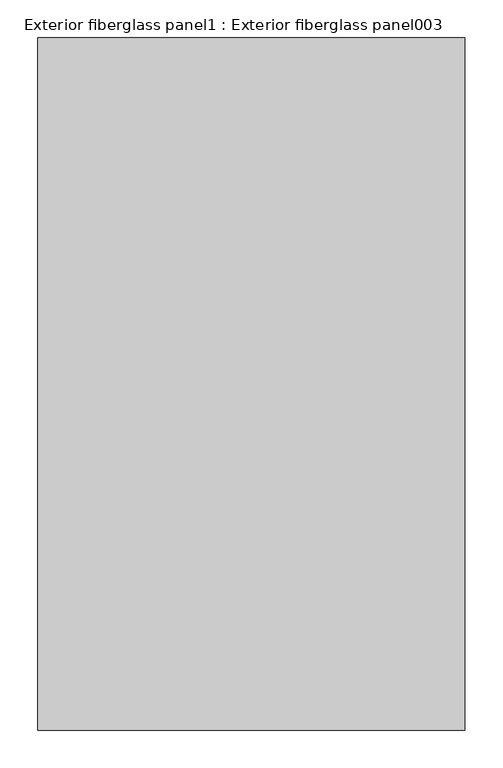
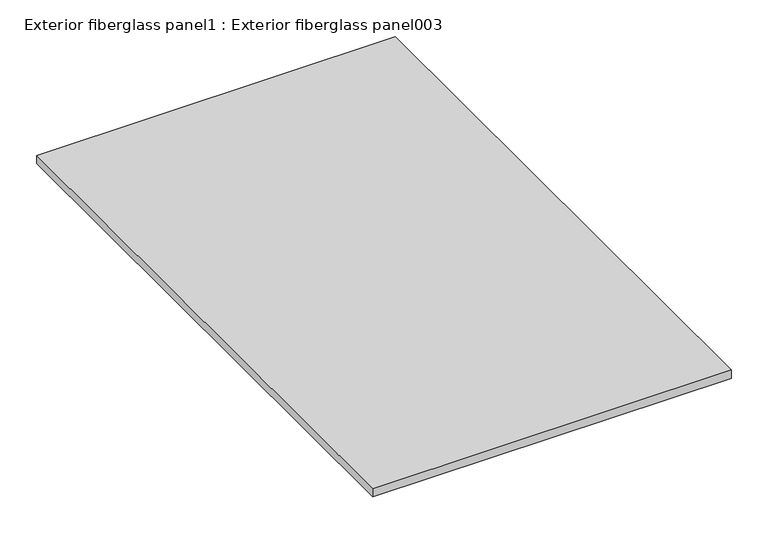
"""IFC4 building model written with IfcOpenShell, lengths in millimetres: proxy geometry, Exterior fiberglass panel1 : Exterior fiberglass panel003."""

from ifc_helpers import new_model, si_unit, frame, origin, place, context, project, spatial, polyline, outline, extrude, source, transform, mapped, element, save


def exterior_fiberglass_panel1_exterior_fiberglass_panel003_57cb7fe5(model_context):
    return source(origin(), model_context, "Body", "SweptSolid", [
        extrude(outline(polyline([(38215.8178182, -19576.8265625), (37651.9219607, -19576.8265625), (37651.9219607, -18662.4265625), (38215.8178182, -18662.4265625), (38215.8178182, -19576.8265625)])), frame((0.0, 0.0, 2974.0585418), z_axis=(0.0, 0.0, 1.0), x_axis=(1.0, 0.0, 0.0)), (0.0, 0.0, 1.0), 13.6164582),
    ])


if __name__ == "__main__":
    model = new_model("IFC4")
    model_context = context("Model", 3, world=origin())
    ifc_project = project(units=[si_unit("LENGTHUNIT", "METRE", prefix="MILLI")], contexts=[model_context])
    site = spatial("IfcSite", under=ifc_project)
    building = spatial("IfcBuilding", under=site)
    placement = place(None, origin())
    exterior_fiberglass_panel1_exterior_fiberglass_panel003_shape = exterior_fiberglass_panel1_exterior_fiberglass_panel003_57cb7fe5(model_context)
    element("IfcBuildingElementProxy", 1, Name="Exterior fiberglass panel1 : Exterior fiberglass panel003", ObjectType="Exterior fiberglass panel1 : Exterior fiberglass panel003", at=placement, inside=building, context=model_context, shape_type="MappedRepresentation", body=[
        mapped(exterior_fiberglass_panel1_exterior_fiberglass_panel003_shape, transform((0.0, 0.0, 0.0), x_axis=(1.0, 0.0, 0.0), y_axis=(0.0, 1.0, 0.0), z_axis=(0.0, 0.0, 1.0))),
    ])
    save(model, "model.ifc")
